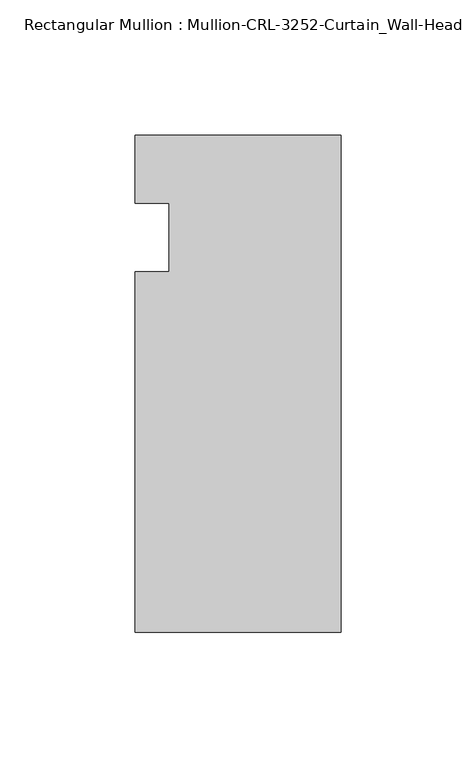
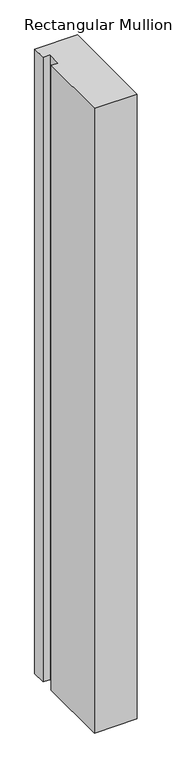
"""IFC4 building model written with IfcOpenShell, lengths in millimetres: member geometry, Rectangular Mullion : Mullion-CRL-3252-Curtain_Wall-Head."""

import ifcopenshell
import ifcopenshell.guid

model = None  # the IFC model being written
_history = None  # IfcOwnerHistory: only IFC2X3 demands one
_inside = {}  # id of a spatial element -> (the spatial element, [elements in it])
_under = {}  # id of a project, library or spatial element -> (it, [spatial elements below it])
_declared = {}  # id of a project -> (the project, [libraries it declares])
_typed = {}  # id of a type object -> (the type object, [elements of that type])
_made_of = {}  # id of a material, layer set ... -> (it, [elements and type objects made of it])


def new_model(schema):
    """Start an empty IFC model of exactly this schema.

    Asked for "IFC4X3", IfcOpenShell would pick the latest addendum, in which some entities
    have other attributes; the version numbers below select the first issue.
    IFC2X3 requires an IfcOwnerHistory on every rooted entity: one is made here for all.
    """
    global model, _history
    if schema == "IFC4X3":
        model = ifcopenshell.file(schema_version=(4, 3, 0, 0))
    else:
        model = ifcopenshell.file(schema=schema)
    _inside.clear()
    _under.clear()
    _declared.clear()
    _typed.clear()
    _made_of.clear()
    _history = None
    if model.schema == "IFC2X3":
        org = make("IfcOrganization", Name="unknown")
        user = make(
            "IfcPersonAndOrganization",
            ThePerson=make("IfcPerson", FamilyName="unknown"),
            TheOrganization=org,
        )
        app = make(
            "IfcApplication",
            ApplicationDeveloper=org,
            Version="unknown",
            ApplicationFullName="unknown",
            ApplicationIdentifier="unknown",
        )
        _history = make(
            "IfcOwnerHistory",
            OwningUser=user,
            OwningApplication=app,
            ChangeAction="ADDED",
            CreationDate=0,
        )
    return model


def make(cls, **values):
    """One entity of the class cls with the attributes given. An attribute that is None is left unset."""
    return model.create_entity(
        cls, **{name: value for name, value in values.items() if value is not None}
    )


def rooted(cls, **values):
    """An entity with a GlobalId (a new one), such as an element, a storey or a relation."""
    return make(cls, GlobalId=ifcopenshell.guid.new(), OwnerHistory=_history, **values)


def si_unit(unit_type, name, prefix=None):
    """IfcSIUnit, for example si_unit("LENGTHUNIT", "METRE", prefix="MILLI")."""
    return make("IfcSIUnit", UnitType=unit_type, Prefix=prefix, Name=name)


def assignment(units):
    """IfcUnitAssignment: the units of a project."""
    return None if units is None else make("IfcUnitAssignment", Units=units)


def point(xyz):
    """IfcCartesianPoint."""
    return None if xyz is None else make("IfcCartesianPoint", Coordinates=xyz)


def direction(xyz):
    """IfcDirection."""
    return None if xyz is None else make("IfcDirection", DirectionRatios=xyz)


def frame(location, z_axis=None, x_axis=None):
    """IfcAxis2Placement3D, a coordinate frame: its origin and axes. An axis left out is left unset."""
    return make(
        "IfcAxis2Placement3D",
        Location=point(location),
        Axis=direction(z_axis),
        RefDirection=direction(x_axis),
    )


def origin():
    """The frame at (0, 0, 0) with its axes left unset."""
    return frame((0.0, 0.0, 0.0))


def place(relative_to, where):
    """IfcLocalPlacement: puts the frame where relative to a parent placement (None: the world)."""
    return make(
        "IfcLocalPlacement", PlacementRelTo=relative_to, RelativePlacement=where
    )


def context(
    kind, dimensions, precision=None, world=None, true_north=None, identifier=None
):
    """IfcGeometricRepresentationContext, for example the 3D "Model" context."""
    return make(
        "IfcGeometricRepresentationContext",
        ContextIdentifier=identifier,
        ContextType=kind,
        CoordinateSpaceDimension=dimensions,
        Precision=precision,
        WorldCoordinateSystem=world,
        TrueNorth=true_north,
    )


def project(units=None, contexts=None):
    """IfcProject with its units and contexts."""
    return rooted(
        "IfcProject",
        Name="project",
        RepresentationContexts=contexts,
        UnitsInContext=assignment(units),
    )


def spatial(cls, under=None, at=None, **own):
    """A site, building, storey or space (cls), placed at a placement, below another one or the project."""
    s = rooted(cls, ObjectPlacement=at, **own)
    if under is not None:
        _under.setdefault(under.id(), (under, []))[1].append(s)
    return s


def polyline(points):
    """IfcPolyline through the points."""
    return make("IfcPolyline", Points=[point(p) for p in points])


def outline(outer, holes=None, kind="AREA"):
    """IfcArbitraryClosedProfileDef: a profile drawn as a closed curve; with holes, ...WithVoids."""
    if holes is None:
        return make("IfcArbitraryClosedProfileDef", ProfileType=kind, OuterCurve=outer)
    return make(
        "IfcArbitraryProfileDefWithVoids",
        ProfileType=kind,
        OuterCurve=outer,
        InnerCurves=holes,
    )


def extrude(swept, where, along, depth):
    """IfcExtrudedAreaSolid: the profile swept, set in the frame where, extruded along a direction by depth."""
    return make(
        "IfcExtrudedAreaSolid",
        SweptArea=swept,
        Position=where,
        ExtrudedDirection=direction(along),
        Depth=depth,
    )


def shape(context_of_items, identifier, shape_type, items):
    """IfcShapeRepresentation: the items that make up one representation, for example the "Body"."""
    return make(
        "IfcShapeRepresentation",
        ContextOfItems=context_of_items,
        RepresentationIdentifier=identifier,
        RepresentationType=shape_type,
        Items=items,
    )


def source(mapping_origin, context_of_items, identifier, shape_type, items):
    """IfcRepresentationMap: a shape defined once, which mapped items show again and again."""
    return make(
        "IfcRepresentationMap",
        MappingOrigin=mapping_origin,
        MappedRepresentation=shape(context_of_items, identifier, shape_type, items),
    )


def transform(
    local_origin,
    x_axis=None,
    y_axis=None,
    z_axis=None,
    scale=None,
    scale2=None,
    scale3=None,
    uniform=True,
):
    """IfcCartesianTransformationOperator3D, or its non-uniform kind. x_axis, y_axis, z_axis: its Axis1, 2, 3."""
    if uniform:
        return make(
            "IfcCartesianTransformationOperator3D",
            Axis1=direction(x_axis),
            Axis2=direction(y_axis),
            LocalOrigin=point(local_origin),
            Scale=scale,
            Axis3=direction(z_axis),
        )
    return make(
        "IfcCartesianTransformationOperator3DnonUniform",
        Axis1=direction(x_axis),
        Axis2=direction(y_axis),
        LocalOrigin=point(local_origin),
        Scale=scale,
        Axis3=direction(z_axis),
        Scale2=scale2,
        Scale3=scale3,
    )


def mapped(mapping_source, mapping_target):
    """IfcMappedItem: shows the shape of a source again, moved by a transform."""
    return make(
        "IfcMappedItem", MappingSource=mapping_source, MappingTarget=mapping_target
    )


def made_of(thing, what):
    """Note that an element or type object is made of a material, layer set ...; save() writes the relation."""
    if what is not None:
        _made_of.setdefault(what.id(), (what, []))[1].append(thing)
    return thing


def element(
    cls,
    number,
    at=None,
    inside=None,
    cuts=None,
    type_object=None,
    material=None,
    context=None,
    identifier="Body",
    shape_type=None,
    held_by="IfcProductDefinitionShape",
    body=None,
    shapes=None,
    **own,
):
    """One element of the class cls, such as IfcWall. Its Tag is "e" and its number.

    at: its placement. inside: the storey or other place that contains it. cuts: it is an
    opening in that element (IfcRelVoidsElement). A single representation is given by context,
    identifier, shape_type and body (its items); several are given by shapes. held_by: the class
    of the entity that holds the representations. save() writes the other relations.
    """
    e = rooted(cls, Tag="e%d" % number, ObjectPlacement=at, **own)
    if body is not None:
        shapes = [shape(context, identifier, shape_type, body)]
    if shapes is not None:
        e.Representation = make(held_by, Representations=shapes)
    if inside is not None:
        _inside.setdefault(inside.id(), (inside, []))[1].append(e)
    if cuts is not None:
        rooted(
            "IfcRelVoidsElement", RelatingBuildingElement=cuts, RelatedOpeningElement=e
        )
    if type_object is not None:
        _typed.setdefault(type_object.id(), (type_object, []))[1].append(e)
    return made_of(e, material)


def aggregate(whole, parts):
    """IfcRelAggregates: a whole, such as a stair, and the parts it consists of."""
    return rooted("IfcRelAggregates", RelatingObject=whole, RelatedObjects=parts)


def save(model, path):
    """Write the relations noted so far, then the file.

    IfcRelAggregates (storeys below a building ...), IfcRelContainedInSpatialStructure (elements
    in a storey), IfcRelDefinesByType, IfcRelAssociatesMaterial and IfcRelDeclares: one each for
    every whole, place, type object, material and project.
    """
    for whole, parts in _under.values():
        aggregate(whole, parts)
    for where, things in _inside.values():
        rooted(
            "IfcRelContainedInSpatialStructure",
            RelatedElements=things,
            RelatingStructure=where,
        )
    for kind, things in _typed.values():
        rooted("IfcRelDefinesByType", RelatedObjects=things, RelatingType=kind)
    for what, things in _made_of.values():
        rooted("IfcRelAssociatesMaterial", RelatedObjects=things, RelatingMaterial=what)
    for by, libraries in _declared.values():
        rooted("IfcRelDeclares", RelatingContext=by, RelatedDefinitions=libraries)
    model.write(path)


def rectangular_mullion_mullion_crl_3252_curtain_wall_head_9db7b6fe(model_context):
    return source(origin(), model_context, "Body", "SweptSolid", [
        extrude(outline(polyline([(0.0, -146.0054758), (-76.1947014, -146.0054758), (-76.1947014, -12.7), (-63.5026672, -12.7), (-63.5026672, 12.7), (-76.1947014, 12.7), (-76.1947014, 37.87102), (0.0, 37.87102), (0.0, -146.0054758)])), frame((0.0, 0.0, -1174.735319), z_axis=(0.0, 0.0, 1.0), x_axis=(1.0, 0.0, 0.0)), (0.0, 0.0, 1.0), 1174.735319),
    ])


if __name__ == "__main__":
    model = new_model("IFC4")
    model_context = context("Model", 3, world=origin())
    ifc_project = project(units=[si_unit("LENGTHUNIT", "METRE", prefix="MILLI")], contexts=[model_context])
    site = spatial("IfcSite", under=ifc_project)
    building = spatial("IfcBuilding", under=site)
    placement = place(None, origin())
    rectangular_mullion_mullion_crl_3252_curtain_wall_head_shape = rectangular_mullion_mullion_crl_3252_curtain_wall_head_9db7b6fe(model_context)
    element("IfcMember", 1, ObjectType="Rectangular Mullion : Mullion-CRL-3252-Curtain_Wall-Head", at=placement, inside=building, context=model_context, shape_type="MappedRepresentation", body=[
        mapped(rectangular_mullion_mullion_crl_3252_curtain_wall_head_shape, transform((0.0, 0.0, 0.0), x_axis=(1.0, 0.0, 0.0), y_axis=(0.0, 1.0, 0.0), z_axis=(0.0, 0.0, 1.0))),
    ])
    save(model, "model.ifc")
